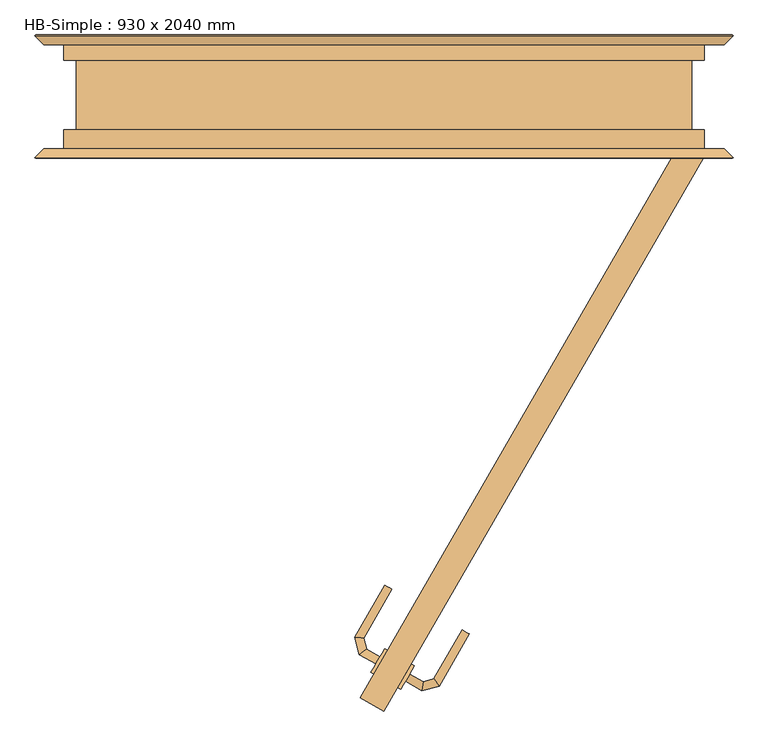
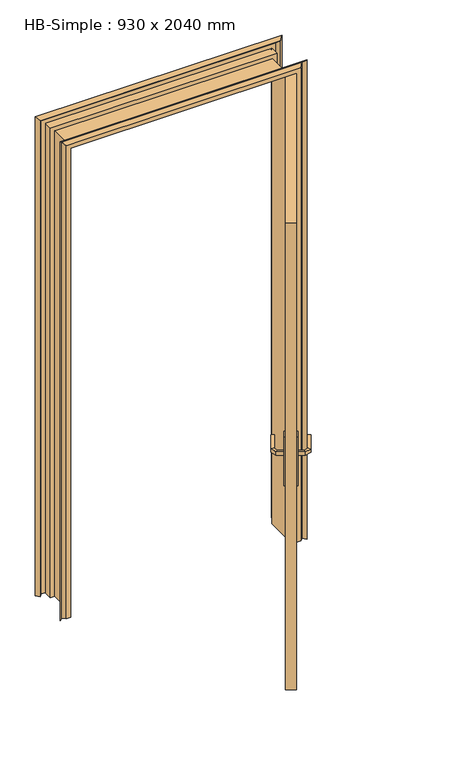
"""IFC4 building model written with IfcOpenShell, lengths in millimetres: door geometry, HB-Simple : 930 x 2040 mm."""

from ifc_helpers import new_model, si_unit, point, frame, frame_2d, origin, place, context, project, spatial, polyline, circle_curve, ellipse_curve, trimmed, segment, composite_curve, outline, extrude, faceted_brep, source, transform, mapped, element, save
from ifc_brep_helpers import plane_surface, cylinder_surface, advanced_brep


def hb_simple_930_x_2040_mm_a84b8d18(model_context):
    return source(origin(), model_context, "Body", "SolidModel", [
        advanced_brep(
        [(-5.9711432, -815.7459489, 993.0), (-5.9711432, -815.7459489, 1007.0), (-11.9711432, -826.1382537, 1007.0), (-11.9711432, -826.1382537, 993.0), (-25.4439015, -804.5033466, 993.0), (-25.4439015, -804.5033466, 1007.0), (-35.7485351, -812.4103701, 1007.0), (-35.7485351, -812.4103701, 993.0), (-29.6478062, -788.8141605, 993.0), (-29.6478062, -788.8141605, 1007.0), (-42.5253925, -787.1187941, 1007.0), (-42.5253925, -787.1187941, 993.0), (11.6324449, -717.3146682, 993.0), (1.2401401, -711.3146682, 993.0), (1.2401401, -711.3146682, 1007.0), (11.6324449, -717.3146682, 1007.0)],
        [
            (0, 1),
            (1, 2, circle_curve(frame((-8.9711432, -820.9421013, 986.9542278), z_axis=(0.8660254037844335, -0.500000000000009, 0.0), x_axis=(-0.500000000000009, -0.8660254037844335, 0.0)), 20.9244589)),
            (2, 3),
            (3, 0, circle_curve(frame((-8.9711432, -820.9421013, 1013.0457722), z_axis=(0.8660254037844335, -0.500000000000009, 0.0), x_axis=(-0.500000000000009, -0.8660254037844335, 0.0)), 20.9244589)),
            (0, 4),
            (4, 5),
            (5, 1),
            (5, 6, ellipse_curve(frame((-30.5962183, -808.4568584, 986.9542278), z_axis=(0.6087614290086959, -0.793353340291254, 0.0), x_axis=(0.7933533402912544, 0.6087614290086957, 0.0)), 22.6484711, 20.9244589)),
            (6, 2),
            (6, 7),
            (7, 3),
            (7, 4, ellipse_curve(frame((-30.5962183, -808.4568584, 1013.0457722), z_axis=(0.6087614290086959, -0.793353340291254, 0.0), x_axis=(0.7933533402912544, 0.6087614290086957, 0.0)), 22.6484711, 20.9244589)),
            (4, 8),
            (8, 9),
            (9, 5),
            (9, 10, ellipse_curve(frame((-36.0865993, -787.9664773, 986.9542278), z_axis=(-0.13052619222008235, -0.9914448613738064, 0.0), x_axis=(0.9914448613738064, -0.1305261922200824, 0.0)), 22.6484711, 20.9244589)),
            (10, 6),
            (10, 11),
            (11, 7),
            (11, 8, ellipse_curve(frame((-36.0865993, -787.9664773, 1013.0457722), z_axis=(-0.13052619222008235, -0.9914448613738064, 0.0), x_axis=(0.9914448613738064, -0.1305261922200824, 0.0)), 22.6484711, 20.9244589)),
            (12, 13, circle_curve(frame((6.4362925, -714.3146682, 1013.0457722), z_axis=(0.500000000000009, 0.8660254037844335, 0.0), x_axis=(-0.8660254037844335, 0.500000000000009, 0.0)), 20.9244589)),
            (13, 14),
            (14, 15, circle_curve(frame((6.4362925, -714.3146682, 986.9542278), z_axis=(0.500000000000009, 0.8660254037844335, 0.0), x_axis=(-0.8660254037844335, 0.500000000000009, 0.0)), 20.9244589)),
            (15, 12),
            (8, 12),
            (15, 9),
            (14, 10),
            (13, 11),
        ],
        [
            plane_surface(frame((-13.5809154, -828.926461, 1000.0), z_axis=(0.8660254037844335, -0.500000000000009, 0.0), x_axis=(0.0, 0.0, 1.0))),
            plane_surface(frame((-5.9711432, -815.7459489, 993.0), z_axis=(0.500000000000009, 0.8660254037844335, 0.0), x_axis=(-0.8660254037844335, 0.500000000000009, 0.0))),
            cylinder_surface(frame((-8.9711432, -820.9421013, 986.9542278), z_axis=(0.8660254037844335, -0.500000000000009, 0.0), x_axis=(-0.500000000000009, -0.8660254037844335, 0.0)), 20.9244589),
            plane_surface(frame((-11.9711432, -826.1382537, 1007.0), z_axis=(-0.500000000000009, -0.8660254037844335, 0.0), x_axis=(-0.8660254037844335, 0.500000000000009, 0.0))),
            cylinder_surface(frame((-8.9711432, -820.9421013, 1013.0457722), z_axis=(0.8660254037844335, -0.500000000000009, 0.0), x_axis=(-0.500000000000009, -0.8660254037844335, 0.0)), 20.9244589),
            plane_surface(frame((-25.4439015, -804.5033466, 993.0), z_axis=(0.9659258262890817, 0.25881904510247083, 0.0), x_axis=(-0.25881904510247083, 0.9659258262890817, 0.0))),
            cylinder_surface(frame((-30.5962183, -808.4568584, 986.9542278), z_axis=(0.25881904510247083, -0.9659258262890817, 0.0), x_axis=(-0.9659258262890817, -0.25881904510247083, 0.0)), 20.9244589),
            plane_surface(frame((-35.7485351, -812.4103701, 1007.0), z_axis=(-0.9659258262890817, -0.258819045102471, 0.0), x_axis=(-0.258819045102471, 0.9659258262890817, 0.0))),
            cylinder_surface(frame((-30.5962183, -808.4568584, 1013.0457722), z_axis=(0.25881904510247083, -0.9659258262890817, 0.0), x_axis=(-0.9659258262890817, -0.25881904510247083, 0.0)), 20.9244589),
            plane_surface(frame((6.4362925, -714.3146682, 990.7804555), z_axis=(0.500000000000009, 0.8660254037844335, 0.0), x_axis=(-0.8660254037844335, 0.500000000000009, 0.0))),
            plane_surface(frame((-29.6478062, -788.8141605, 993.0), z_axis=(0.8660254037844335, -0.500000000000009, 0.0), x_axis=(0.500000000000009, 0.8660254037844335, 0.0))),
            cylinder_surface(frame((-36.0865993, -787.9664773, 986.9542278), z_axis=(-0.500000000000009, -0.8660254037844335, 0.0), x_axis=(-0.8660254037844335, 0.500000000000009, 0.0)), 20.9244589),
            plane_surface(frame((-42.5253925, -787.1187941, 1007.0), z_axis=(-0.8660254037844335, 0.500000000000009, 0.0), x_axis=(0.500000000000009, 0.8660254037844335, 0.0))),
            cylinder_surface(frame((-36.0865993, -787.9664773, 1013.0457722), z_axis=(-0.500000000000009, -0.8660254037844335, 0.0), x_axis=(-0.8660254037844335, 0.500000000000009, 0.0)), 20.9244589),
        ],
        [
            (0, [[1, 2, 3, 4]]),
            (1, [[-1, 5, 6, 7]]),
            (2, [[-2, -7, 8, 9]]),
            (3, [[-3, -9, 10, 11]]),
            (4, [[-4, -11, 12, -5]]),
            (5, [[-6, 13, 14, 15]]),
            (6, [[-8, -15, 16, 17]]),
            (7, [[-10, -17, 18, 19]]),
            (8, [[-12, -19, 20, -13]]),
            (9, [[21, 22, 23, 24]]),
            (10, [[-14, 25, -24, 26]]),
            (11, [[-16, -26, -23, 27]]),
            (12, [[-18, -27, -22, 28]]),
            (13, [[-20, -28, -21, -25]]),
        ],
    ),
        advanced_brep(
        [(31.330127, -851.1382537, 1007.0), (37.330127, -840.7459489, 1007.0), (37.330127, -840.7459489, 993.0), (31.330127, -851.1382537, 993.0), (55.2765528, -864.9637291, 1007.0), (56.9719192, -852.0861428, 1007.0), (56.9719192, -852.0861428, 993.0), (55.2765528, -864.9637291, 993.0), (80.3802885, -858.2372034, 1007.0), (72.473265, -847.9325698, 1007.0), (72.473265, -847.9325698, 993.0), (80.3802885, -858.2372034, 993.0), (124.2010038, -782.337498, 1007.0), (124.2010038, -782.337498, 993.0), (113.8086989, -776.337498, 993.0), (113.8086989, -776.337498, 1007.0)],
        [
            (0, 1, circle_curve(frame((34.330127, -845.9421013, 986.9542278), z_axis=(-0.8660254037844335, 0.500000000000009, 0.0), x_axis=(0.500000000000009, 0.8660254037844335, 0.0)), 20.9244589)),
            (1, 2),
            (2, 3, circle_curve(frame((34.330127, -845.9421013, 1013.0457722), z_axis=(-0.8660254037844335, 0.500000000000009, 0.0), x_axis=(0.500000000000009, 0.8660254037844335, 0.0)), 20.9244589)),
            (3, 0),
            (0, 4),
            (4, 5, ellipse_curve(frame((56.124236, -858.524936, 986.9542278), z_axis=(-0.9914448613738118, 0.13052619222004097, 0.0), x_axis=(0.13052619222004114, 0.9914448613738118, 0.0)), 22.6484711, 20.9244589)),
            (5, 1),
            (5, 6),
            (6, 2),
            (6, 7, ellipse_curve(frame((56.124236, -858.524936, 1013.0457722), z_axis=(-0.9914448613738118, 0.13052619222004097, 0.0), x_axis=(0.13052619222004114, 0.9914448613738118, 0.0)), 22.6484711, 20.9244589)),
            (7, 3),
            (7, 4),
            (4, 8),
            (8, 9, ellipse_curve(frame((76.4267767, -853.0848866, 986.9542278), z_axis=(-0.7933533402912285, -0.6087614290087291, 0.0), x_axis=(-0.6087614290087299, 0.7933533402912281, 0.0)), 22.6484711, 20.9244589)),
            (9, 5),
            (9, 10),
            (10, 6),
            (10, 11, ellipse_curve(frame((76.4267767, -853.0848866, 1013.0457722), z_axis=(-0.7933533402912285, -0.6087614290087291, 0.0), x_axis=(-0.6087614290087299, 0.7933533402912281, 0.0)), 22.6484711, 20.9244589)),
            (11, 7),
            (11, 8),
            (12, 13),
            (13, 14, circle_curve(frame((119.0048513, -779.337498, 1013.0457722), z_axis=(0.5000000000000088, 0.8660254037844336, 0.0), x_axis=(-0.8660254037844336, 0.5000000000000088, 0.0)), 20.9244589)),
            (14, 15),
            (15, 12, circle_curve(frame((119.0048513, -779.337498, 986.9542278), z_axis=(0.5000000000000088, 0.8660254037844336, 0.0), x_axis=(-0.8660254037844336, 0.5000000000000088, 0.0)), 20.9244589)),
            (8, 12),
            (15, 9),
            (14, 10),
            (13, 11),
        ],
        [
            plane_surface(frame((29.7203548, -853.926461, 1000.0), z_axis=(-0.8660254037844335, 0.500000000000009, 0.0), x_axis=(0.0, 0.0, -1.0))),
            cylinder_surface(frame((34.330127, -845.9421013, 986.9542278), z_axis=(-0.8660254037844335, 0.500000000000009, 0.0), x_axis=(0.500000000000009, 0.8660254037844335, 0.0)), 20.9244589),
            plane_surface(frame((37.330127, -840.7459489, 1007.0), z_axis=(0.500000000000009, 0.8660254037844335, 0.0), x_axis=(0.8660254037844335, -0.500000000000009, 0.0))),
            cylinder_surface(frame((34.330127, -845.9421013, 1013.0457722), z_axis=(-0.8660254037844335, 0.500000000000009, 0.0), x_axis=(0.500000000000009, 0.8660254037844335, 0.0)), 20.9244589),
            plane_surface(frame((31.330127, -851.1382537, 993.0), z_axis=(-0.500000000000009, -0.8660254037844335, 0.0), x_axis=(0.8660254037844335, -0.500000000000009, 0.0))),
            cylinder_surface(frame((56.124236, -858.524936, 986.9542278), z_axis=(-0.96592582628906, -0.25881904510255144, 0.0), x_axis=(-0.25881904510255144, 0.96592582628906, 0.0)), 20.9244589),
            plane_surface(frame((56.9719192, -852.0861428, 1007.0), z_axis=(-0.25881904510255155, 0.9659258262890601, 0.0), x_axis=(0.9659258262890601, 0.25881904510255155, 0.0))),
            cylinder_surface(frame((56.124236, -858.524936, 1013.0457722), z_axis=(-0.96592582628906, -0.25881904510255144, 0.0), x_axis=(-0.25881904510255144, 0.96592582628906, 0.0)), 20.9244589),
            plane_surface(frame((55.2765528, -864.9637291, 993.0), z_axis=(0.25881904510255155, -0.9659258262890601, 0.0), x_axis=(0.9659258262890601, 0.25881904510255155, 0.0))),
            plane_surface(frame((119.0048513, -779.337498, 990.7804555), z_axis=(0.500000000000009, 0.8660254037844335, 0.0), x_axis=(-0.8660254037844335, 0.500000000000009, 0.0))),
            cylinder_surface(frame((76.4267767, -853.0848866, 986.9542278), z_axis=(-0.5000000000000088, -0.8660254037844336, 0.0), x_axis=(-0.8660254037844336, 0.5000000000000088, 0.0)), 20.9244589),
            plane_surface(frame((72.473265, -847.9325698, 1007.0), z_axis=(-0.8660254037844335, 0.500000000000009, 0.0), x_axis=(0.500000000000009, 0.8660254037844335, 0.0))),
            cylinder_surface(frame((76.4267767, -853.0848866, 1013.0457722), z_axis=(-0.5000000000000088, -0.8660254037844336, 0.0), x_axis=(-0.8660254037844336, 0.5000000000000088, 0.0)), 20.9244589),
            plane_surface(frame((80.3802885, -858.2372034, 993.0), z_axis=(0.8660254037844335, -0.500000000000009, 0.0), x_axis=(0.500000000000009, 0.8660254037844335, 0.0))),
        ],
        [
            (0, [[1, 2, 3, 4]]),
            (1, [[-1, 5, 6, 7]]),
            (2, [[-2, -7, 8, 9]]),
            (3, [[-3, -9, 10, 11]]),
            (4, [[-4, -11, 12, -5]]),
            (5, [[-6, 13, 14, 15]]),
            (6, [[-8, -15, 16, 17]]),
            (7, [[-10, -17, 18, 19]]),
            (8, [[-12, -19, 20, -13]]),
            (9, [[21, 22, 23, 24]]),
            (10, [[-14, 25, -24, 26]]),
            (11, [[-16, -26, -23, 27]]),
            (12, [[-18, -27, -22, 28]]),
            (13, [[-20, -28, -21, -25]]),
        ],
    ),
        extrude(outline(composite_curve([segment(trimmed(circle_curve(frame_2d((0.0, -40.0)), 40.0), [point((34.6410162, -20.0))], [point((34.6410162, -60.0000001))], False, "CARTESIAN"), True, "CONTINUOUS"), segment(polyline([(34.6410162, -60.0000001), (-175.3589838, -60.0000001)]), True, "CONTINUOUS"), segment(trimmed(circle_curve(frame_2d((-140.7179676, -40.0)), 40.0), [point((-175.3589838, -60.0000001))], [point((-175.3589838, -20.0))], False, "CARTESIAN"), True, "CONTINUOUS"), segment(polyline([(-175.3589838, -20.0), (34.6410162, -20.0)]), True, "CONTINUOUS")], self_intersect=False)), frame((15.3589838, -788.8010851, 1045.3589838), z_axis=(-0.8660254037844319, 0.5000000000000118, 0.0), x_axis=(0.0, 0.0, 1.0)), (0.0, 0.0, 1.0), 5.0),
        extrude(outline(composite_curve([segment(trimmed(circle_curve(frame_2d((0.0, -40.0)), 40.0), [point((-34.6410162, -60.0000001))], [point((-34.6410162, -20.0))], False, "CARTESIAN"), True, "CONTINUOUS"), segment(polyline([(-34.6410162, -20.0), (175.3589838, -20.0)]), True, "CONTINUOUS"), segment(trimmed(circle_curve(frame_2d((140.7179676, -40.0)), 40.0), [point((175.3589838, -20.0))], [point((175.3589838, -60.0000001))], False, "CARTESIAN"), True, "CONTINUOUS"), segment(polyline([(175.3589838, -60.0000001), (-34.6410162, -60.0000001)]), True, "CONTINUOUS")], self_intersect=False)), frame((54.330127, -811.3010851, 904.6410162), z_axis=(-0.8660254037844319, 0.5000000000000118, 0.0), x_axis=(0.0, 0.0, 1.0)), (0.0, 0.0, 1.0), 5.0),
        extrude(outline(polyline([(-34.6410162, -875.4036255), (430.3589838, -70.0), (465.0, -90.0), (0.0, -895.4036255), (-34.6410162, -875.4036255)])), frame((0.0, 0.0, 10.0), z_axis=(0.0, 0.0, 1.0), x_axis=(1.0, 0.0, 0.0)), (0.0, 0.0, 1.0), 2030.0),
        faceted_brep([(483.5, -90.0, 0.0), (465.5201865, -90.0, 0.0), (465.0, -88.9798135, 0.0), (465.0, -50.0, 0.0), (447.5186374, -50.0, 0.0), (446.5, -48.9813626, 0.0), (446.5, 54.0454714, 0.0), (447.4545286, 55.0, 0.0), (465.0, 55.0, 0.0), (465.0, 88.9205021, 0.0), (465.5794979, 90.0, 0.0), (483.5, 90.0, 0.0), (495.5, 78.0, 0.0), (507.5, 90.0, 0.0), (508.5, 89.0, 0.0), (495.5, 76.0, 0.0), (483.5, 88.0, 0.0), (466.5, 88.0, 0.0), (466.5, 53.0, 0.0), (448.5, 53.0, 0.0), (448.5, -48.0, 0.0), (466.5, -48.0, 0.0), (466.5, -88.0, 0.0), (483.5, -88.0, 0.0), (495.5, -76.0, 0.0), (508.5, -89.0, 0.0), (507.5, -90.0, 0.0), (495.5, -78.0, 0.0), (483.5, -90.0, 2058.5), (-483.5, -90.0, 2058.5), (-483.5, -90.0, 0.0), (-465.5201865, -90.0, 0.0), (-465.5201865, -90.0, 2040.5201865), (465.5201865, -90.0, 2040.5201865), (465.0, -88.9798135, 2040.0), (465.0, -50.0, 2040.0), (-465.0, -50.0, 2040.0), (-465.0, -50.0, 0.0), (-447.5186374, -50.0, 0.0), (-447.5186374, -50.0, 2022.5186374), (447.5186374, -50.0, 2022.5186374), (446.5, -48.9813626, 2021.5), (446.5, 54.0454714, 2021.5), (447.4545286, 55.0, 2022.4545286), (-447.4545286, 55.0, 2022.4545286), (-447.4545286, 55.0, 0.0), (-465.0, 55.0, 0.0), (-465.0, 55.0, 2040.0), (465.0, 55.0, 2040.0), (465.0, 88.9205021, 2040.0), (465.5794979, 90.0, 2040.5794979), (-465.5794979, 90.0, 2040.5794979), (-465.5794979, 90.0, 0.0), (-483.5, 90.0, 0.0), (-483.5, 90.0, 2058.5), (483.5, 90.0, 2058.5), (495.5, 78.0, 2070.5), (507.5, 90.0, 2082.5), (508.5, 89.0, 2083.5), (495.5, 76.0, 2070.5), (483.5, 88.0, 2058.5), (-483.5, 88.0, 2058.5), (-483.5, 88.0, 0.0), (-466.5, 88.0, 0.0), (-466.5, 88.0, 2041.5), (466.5, 88.0, 2041.5), (466.5, 53.0, 2041.5), (-466.5, 53.0, 2041.5), (-466.5, 53.0, 0.0), (-448.5, 53.0, 0.0), (-448.5, 53.0, 2023.5), (448.5, 53.0, 2023.5), (448.5, -48.0, 2023.5), (-448.5, -48.0, 2023.5), (-448.5, -48.0, 0.0), (-466.5, -48.0, 0.0), (-466.5, -48.0, 2041.5), (466.5, -48.0, 2041.5), (466.5, -88.0, 2041.5), (-466.5, -88.0, 2041.5), (-466.5, -88.0, 0.0), (-483.5, -88.0, 0.0), (-483.5, -88.0, 2058.5), (483.5, -88.0, 2058.5), (495.5, -76.0, 2070.5), (508.5, -89.0, 2083.5), (507.5, -90.0, 2082.5), (495.5, -78.0, 2070.5), (-495.5, -78.0, 0.0), (-507.5, -90.0, 0.0), (-508.5, -89.0, 0.0), (-495.5, -76.0, 0.0), (-495.5, 76.0, 0.0), (-508.5, 89.0, 0.0), (-507.5, 90.0, 0.0), (-495.5, 78.0, 0.0), (-465.0, 88.9205021, 0.0), (-446.5, 54.0454714, 0.0), (-446.5, -48.9813626, 0.0), (-465.0, -88.9798135, 0.0), (-495.5, -78.0, 2070.5), (-507.5, -90.0, 2082.5), (-508.5, -89.0, 2083.5), (-495.5, -76.0, 2070.5), (-495.5, 76.0, 2070.5), (-508.5, 89.0, 2083.5), (-507.5, 90.0, 2082.5), (-495.5, 78.0, 2070.5), (-465.0, 88.9205021, 2040.0), (-446.5, 54.0454714, 2021.5), (-446.5, -48.9813626, 2021.5), (-465.0, -88.9798135, 2040.0)], [[[0, 1, 2, 3, 4, 5, 6, 7, 8, 9, 10, 11, 12, 13, 14, 15, 16, 17, 18, 19, 20, 21, 22, 23, 24, 25, 26, 27]], [[1, 0, 28, 29, 30, 31, 32, 33]], [[2, 1, 33, 34]], [[3, 2, 34, 35]], [[4, 3, 35, 36, 37, 38, 39, 40]], [[5, 4, 40, 41]], [[6, 5, 41, 42]], [[7, 6, 42, 43]], [[8, 7, 43, 44, 45, 46, 47, 48]], [[9, 8, 48, 49]], [[10, 9, 49, 50]], [[11, 10, 50, 51, 52, 53, 54, 55]], [[12, 11, 55, 56]], [[13, 12, 56, 57]], [[14, 13, 57, 58]], [[15, 14, 58, 59]], [[16, 15, 59, 60]], [[17, 16, 60, 61, 62, 63, 64, 65]], [[18, 17, 65, 66]], [[19, 18, 66, 67, 68, 69, 70, 71]], [[20, 19, 71, 72]], [[21, 20, 72, 73, 74, 75, 76, 77]], [[22, 21, 77, 78]], [[23, 22, 78, 79, 80, 81, 82, 83]], [[24, 23, 83, 84]], [[25, 24, 84, 85]], [[26, 25, 85, 86]], [[27, 26, 86, 87]], [[0, 27, 87, 28]], [[30, 88, 89, 90, 91, 81, 80, 75, 74, 69, 68, 63, 62, 92, 93, 94, 95, 53, 52, 96, 46, 45, 97, 98, 38, 37, 99, 31]], [[29, 100, 88, 30]], [[100, 101, 89, 88]], [[101, 102, 90, 89]], [[102, 103, 91, 90]], [[103, 82, 81, 91]], [[79, 76, 75, 80]], [[73, 70, 69, 74]], [[67, 64, 63, 68]], [[61, 104, 92, 62]], [[104, 105, 93, 92]], [[105, 106, 94, 93]], [[106, 107, 95, 94]], [[107, 54, 53, 95]], [[51, 108, 96, 52]], [[108, 47, 46, 96]], [[44, 109, 97, 45]], [[109, 110, 98, 97]], [[110, 39, 38, 98]], [[36, 111, 99, 37]], [[111, 32, 31, 99]], [[35, 34, 111, 36]], [[42, 41, 110, 109]], [[49, 48, 47, 108]], [[66, 65, 64, 67]], [[72, 71, 70, 73]], [[78, 77, 76, 79]], [[34, 33, 32, 111]], [[41, 40, 39, 110]], [[43, 42, 109, 44]], [[50, 49, 108, 51]], [[56, 55, 54, 107]], [[57, 56, 107, 106]], [[58, 57, 106, 105]], [[59, 58, 105, 104]], [[60, 59, 104, 61]], [[84, 83, 82, 103]], [[85, 84, 103, 102]], [[86, 85, 102, 101]], [[87, 86, 101, 100]], [[28, 87, 100, 29]]]),
    ])


if __name__ == "__main__":
    model = new_model("IFC4")
    model_context = context("Model", 3, world=origin())
    ifc_project = project(units=[si_unit("LENGTHUNIT", "METRE", prefix="MILLI")], contexts=[model_context])
    site = spatial("IfcSite", under=ifc_project)
    building = spatial("IfcBuilding", under=site)
    placement = place(None, origin())
    hb_simple_930_x_2040_mm_shape = hb_simple_930_x_2040_mm_a84b8d18(model_context)
    element("IfcDoor", 1, ObjectType="HB-Simple : 930 x 2040 mm", at=placement, inside=building, context=model_context, shape_type="MappedRepresentation", body=[
        mapped(hb_simple_930_x_2040_mm_shape, transform((0.0, 0.0, 0.0), x_axis=(1.0, 0.0, 0.0), y_axis=(0.0, 1.0, 0.0), z_axis=(0.0, 0.0, 1.0))),
    ])
    save(model, "model.ifc")
